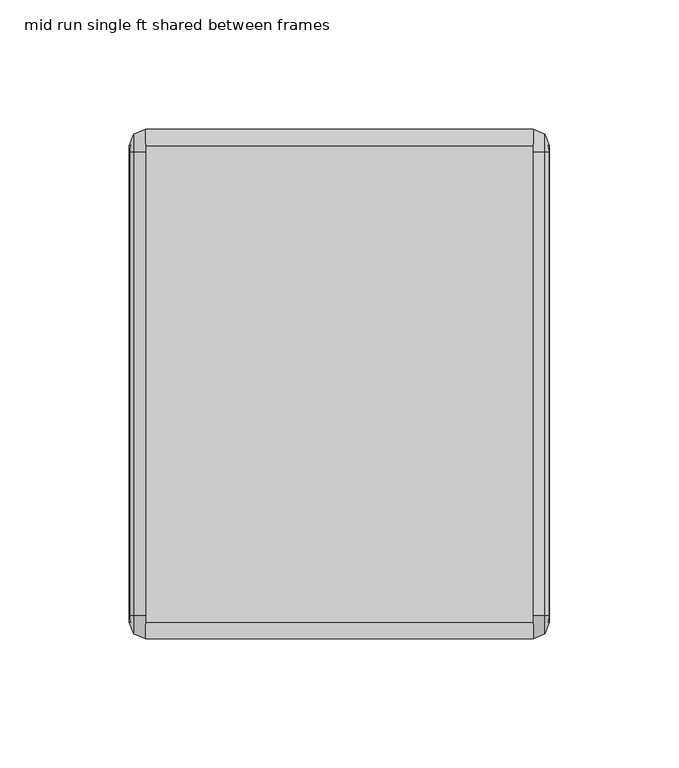
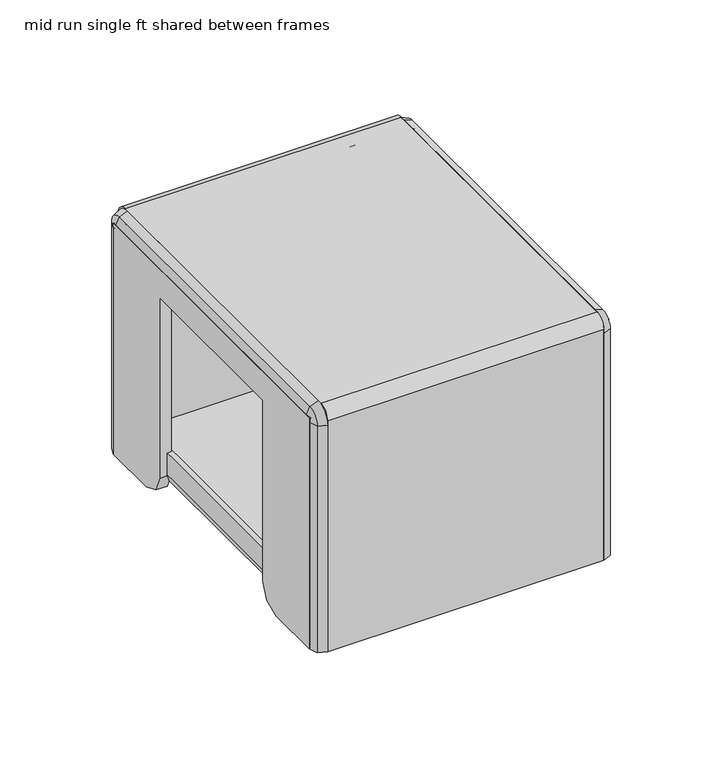
"""IFC4 building model written with IfcOpenShell, lengths in millimetres: furniture geometry, mid run single ft shared between frames."""

from ifc_helpers import new_model, si_unit, point, frame, frame_2d, origin, place, context, project, spatial, polyline, circle_curve, trimmed, segment, composite_curve, outline, extrude, source, transform, mapped, element, save
from ifc_brep_helpers import plane_surface, cylinder_surface, revolved_surface, advanced_brep


def mid_run_single_ft_shared_between_frames_a13236a0(model_context):
    return source(origin(), model_context, "Body", "SolidModel", [
        advanced_brep(
        [(4.4111169, -165.9911811, 60.1980016), (-3.5898846, -165.9911811, 60.1980016), (-3.5898846, -165.9911811, 7.8739999), (4.4111169, -165.9911811, 7.8739999), (-12.2893899, -165.9911811, 7.8739999), (13.1106222, -165.9911811, 7.8739999), (-12.2893899, -165.9911811, 2.6834552), (13.1106222, -165.9911811, 2.6834552), (0.4106162, -165.9911811, 0.0), (0.4106162, -165.9911811, 60.1980016)],
        [
            (0, 1, circle_curve(frame((0.4106162, -165.9911811, 60.1980016), z_axis=(0.0, 0.0, -1.0), x_axis=(-1.0, 0.0, 0.0)), 4.0005007)),
            (1, 2),
            (2, 3, circle_curve(frame((0.4106162, -165.9911811, 7.8739999), z_axis=(0.0, 0.0, 1.0), x_axis=(-1.0, 0.0, 0.0)), 4.0005007)),
            (3, 0),
            (1, 0, circle_curve(frame((0.4106162, -165.9911811, 60.1980016), z_axis=(0.0, 0.0, -1.0), x_axis=(-1.0, 0.0, 0.0)), 4.0005007)),
            (3, 2, circle_curve(frame((0.4106162, -165.9911811, 7.8739999), z_axis=(0.0, 0.0, 1.0), x_axis=(-1.0, 0.0, 0.0)), 4.0005007)),
            (2, 4),
            (4, 5, circle_curve(frame((0.4106162, -165.9911811, 7.8739999), z_axis=(0.0, 0.0, 1.0), x_axis=(-1.0, 0.0, 0.0)), 12.7000061)),
            (5, 3),
            (5, 4, circle_curve(frame((0.4106162, -165.9911811, 7.8739999), z_axis=(0.0, 0.0, 1.0), x_axis=(-1.0, 0.0, 0.0)), 12.7000061)),
            (4, 6),
            (6, 7, circle_curve(frame((0.4106162, -165.9911811, 2.6834552), z_axis=(0.0, 0.0, 1.0), x_axis=(-1.0, 0.0, 0.0)), 12.7000061)),
            (7, 5),
            (7, 6, circle_curve(frame((0.4106162, -165.9911811, 2.6834552), z_axis=(0.0, 0.0, 1.0), x_axis=(-1.0, 0.0, 0.0)), 12.7000061)),
            (6, 8),
            (8, 7),
            (9, 1),
            (0, 9),
        ],
        [
            cylinder_surface(frame((0.4106162, -165.9911811, 60.1980016), z_axis=(0.0, 0.0, 1.0), x_axis=(-1.0, 0.0, 0.0)), 4.0005007),
            plane_surface(frame((0.4106162, -165.9911811, 7.8739999), z_axis=(0.0, 0.0, 1.0), x_axis=(-1.0, 0.0, 0.0))),
            cylinder_surface(frame((0.4106162, -165.9911811, 60.1980016), z_axis=(0.0, 0.0, 1.0), x_axis=(-1.0, 0.0, 0.0)), 12.7000061),
            revolved_surface(polyline([(0.4106162, -165.9911811, 0.0), (-12.2893899, -165.9911811, 2.6834552)]), (0.4106162, -165.9911811, 60.1980016), (0.0, 0.0, 1.0)),
            plane_surface(frame((0.4106162, -165.9911811, 60.1980016), z_axis=(0.0, 0.0, 1.0), x_axis=(-1.0, 0.0, 0.0))),
        ],
        [
            (0, [[1, 2, 3, 4]]),
            (0, [[5, -4, 6, -2]]),
            (1, [[-3, 7, 8, 9]]),
            (1, [[-6, -9, 10, -7]]),
            (2, [[-8, 11, 12, 13]]),
            (2, [[-10, -13, 14, -11]]),
            (3, [[-12, 15, 16]]),
            (3, [[-14, -16, -15]]),
            (4, [[17, -1, 18]]),
            (4, [[-18, -5, -17]]),
        ],
    ),
        advanced_brep(
        [(4.4111169, -24.8764804, 7.8739999), (-3.5898846, -24.8764804, 7.8739999), (-3.5898846, -24.8764804, 60.1980016), (4.4111169, -24.8764804, 60.1980016), (13.1106222, -24.8764804, 7.8739999), (-12.2893899, -24.8764804, 7.8739999), (13.1106222, -24.8764804, 2.6834552), (-12.2893899, -24.8764804, 2.6834552), (0.4106162, -24.8764804, 0.0), (0.4106162, -24.8764804, 60.1980016)],
        [
            (0, 1, circle_curve(frame((0.4106162, -24.8764804, 7.8739999), z_axis=(0.0, 0.0, 1.0), x_axis=(-1.0, 0.0, 0.0)), 4.0005007)),
            (1, 2),
            (2, 3, circle_curve(frame((0.4106162, -24.8764804, 60.1980016), z_axis=(0.0, 0.0, -1.0), x_axis=(-1.0, 0.0, 0.0)), 4.0005007)),
            (3, 0),
            (1, 0, circle_curve(frame((0.4106162, -24.8764804, 7.8739999), z_axis=(0.0, 0.0, 1.0), x_axis=(-1.0, 0.0, 0.0)), 4.0005007)),
            (3, 2, circle_curve(frame((0.4106162, -24.8764804, 60.1980016), z_axis=(0.0, 0.0, -1.0), x_axis=(-1.0, 0.0, 0.0)), 4.0005007)),
            (4, 5, circle_curve(frame((0.4106162, -24.8764804, 7.8739999), z_axis=(0.0, 0.0, 1.0), x_axis=(-1.0, 0.0, 0.0)), 12.7000061)),
            (5, 1),
            (0, 4),
            (5, 4, circle_curve(frame((0.4106162, -24.8764804, 7.8739999), z_axis=(0.0, 0.0, 1.0), x_axis=(-1.0, 0.0, 0.0)), 12.7000061)),
            (6, 7, circle_curve(frame((0.4106162, -24.8764804, 2.6834552), z_axis=(0.0, 0.0, 1.0), x_axis=(-1.0, 0.0, 0.0)), 12.7000061)),
            (7, 5),
            (4, 6),
            (7, 6, circle_curve(frame((0.4106162, -24.8764804, 2.6834552), z_axis=(0.0, 0.0, 1.0), x_axis=(-1.0, 0.0, 0.0)), 12.7000061)),
            (8, 7),
            (6, 8),
            (2, 9),
            (9, 3),
        ],
        [
            cylinder_surface(frame((0.4106162, -24.8764804, 60.1980016), z_axis=(0.0, 0.0, -1.0), x_axis=(-1.0, 0.0, 0.0)), 4.0005007),
            plane_surface(frame((0.4106162, -24.8764804, 7.8739999), z_axis=(0.0, 0.0, 1.0), x_axis=(-1.0, 0.0, 0.0))),
            cylinder_surface(frame((0.4106162, -24.8764804, 60.1980016), z_axis=(0.0, 0.0, -1.0), x_axis=(-1.0, 0.0, 0.0)), 12.7000061),
            revolved_surface(polyline([(-12.2893899, -24.8764804, 2.6834552), (0.4106162, -24.8764804, 0.0)]), (0.4106162, -24.8764804, 60.1980016), (0.0, 0.0, -1.0)),
            plane_surface(frame((0.4106162, -24.8764804, 60.1980016), z_axis=(0.0, 0.0, 1.0), x_axis=(-1.0, 0.0, 0.0))),
        ],
        [
            (0, [[1, 2, 3, 4]]),
            (0, [[5, -4, 6, -2]]),
            (1, [[7, 8, -1, 9]]),
            (1, [[10, -9, -5, -8]]),
            (2, [[11, 12, -7, 13]]),
            (2, [[14, -13, -10, -12]]),
            (3, [[15, -11, 16]]),
            (3, [[-16, -14, -15]]),
            (4, [[-3, 17, 18]]),
            (4, [[-6, -18, -17]]),
        ],
    ),
        extrude(outline(polyline([(9.8583747, -67.6125018), (12.8983747, -67.6125018), (12.8983747, -70.3975017), (13.8283109, -72.6425659), (16.073375, -73.572501), (28.9083758, -73.572501), (28.9083758, -76.6125021), (16.073375, -76.6125021), (11.6787067, -74.792169), (9.8583747, -70.3975017), (9.8583747, -67.6125018)])), frame((0.0, -193.8720021, 0.0), z_axis=(0.0, 1.0, 0.0), x_axis=(0.0, 0.0, 1.0)), (0.0, 0.0, 1.0), 184.4740023),
        extrude(outline(polyline([(9.8583747, 66.3827727), (9.8583747, 69.1677726), (11.6787067, 73.5624399), (16.073375, 75.382773), (28.9083758, 75.382773), (28.9083758, 72.3427719), (16.073375, 72.3427719), (13.8283109, 71.4128368), (12.8983747, 69.1677726), (12.8983747, 66.3827727), (9.8583747, 66.3827727)])), frame((0.0, -193.8720021, 0.0), z_axis=(0.0, 1.0, 0.0), x_axis=(0.0, 0.0, 1.0)), (0.0, 0.0, 1.0), 184.4740023),
        extrude(outline(polyline([(66.3827727, -193.8720021), (-67.2156268, -193.8720021), (-67.2156268, -9.3979997), (66.3827727, -9.3979997), (66.3827727, -193.8720021)])), frame((0.0, 0.0, 9.8583747), z_axis=(0.0, 0.0, 1.0), x_axis=(1.0, 0.0, 0.0)), (0.0, 0.0, 1.0), 3.04),
        extrude(outline(polyline([(-9.3979997, 3.4703749), (-40.4750017, 3.4703749), (-49.4552539, 7.1901191), (-53.1749987, 16.1703747), (-53.1749987, 119.8104104), (-150.0949958, 119.8104104), (-150.0949958, 16.1703747), (-153.8147451, 7.1901191), (-162.7949927, 3.4703749), (-193.8720021, 3.4703749), (-193.8720021, 136.0169734), (-9.3979997, 136.0169734), (-9.3979997, 3.4703749)])), frame((75.3999, 0.0, 0.0), z_axis=(1.0, 0.0, 0.0), x_axis=(0.0, 1.0, 0.0)), (0.0, 0.0, 1.0), 6.35),
        extrude(outline(polyline([(-9.3979997, 3.4703749), (-40.4750017, 3.4703749), (-49.4552539, 7.1901191), (-53.1749987, 16.1703747), (-53.1749987, 119.8104104), (-150.0949958, 119.8104104), (-150.0949958, 16.1703747), (-153.8147451, 7.1901191), (-162.7949927, 3.4703749), (-193.8720021, 3.4703749), (-193.8720021, 136.0169734), (-9.3979997, 136.0169734), (-9.3979997, 3.4703749)])), frame((-80.9625, 0.0, 0.0), z_axis=(1.0, 0.0, 0.0), x_axis=(0.0, 1.0, 0.0)), (0.0, 0.0, 1.0), 6.35),
        advanced_brep(
        [(-80.9625, -193.8720021, 3.4703749), (-80.9625, -192.3720028, 3.4703749), (-74.6125, -192.3720028, 3.4703749), (-74.6125, -200.1476108, 3.4703749), (-79.1398278, -198.2723331, 3.4703749), (-74.6125, -192.3720028, 133.4769734), (-74.6125, -191.3320021, 134.5169741), (-74.6125, -11.9379997, 134.5169741), (-74.6125, -10.897999, 133.4769734), (-74.6125, -10.897999, 3.4703749), (-74.6125, -3.122391, 3.4703749), (-74.6125, -3.122391, 133.4769734), (-74.6125, -11.9379997, 142.2925821), (-74.6125, -191.3320021, 142.2925821), (-74.6125, -200.1476108, 133.4769734), (-80.9625, -192.3720028, 133.4769734), (-80.9625, -193.8720021, 133.4769734), (-80.9625, -191.3320021, 136.0169734), (-80.9625, -11.9379997, 136.0169734), (-80.9625, -9.3979997, 133.4769734), (-80.9625, -9.3979997, 3.4703749), (-80.9625, -10.897999, 3.4703749), (-80.9625, -10.897999, 133.4769734), (-80.9625, -11.9379997, 134.5169741), (-80.9625, -191.3320021, 134.5169741), (-79.1398278, -4.9976688, 3.4703749), (-79.1398278, -198.2723331, 133.4769734), (-79.1398278, -191.3320021, 140.4173043), (-79.1398278, -11.9379997, 140.4173043), (-79.1398278, -4.9976688, 133.4769734)],
        [
            (0, 1),
            (1, 2),
            (2, 3),
            (3, 4),
            (4, 0),
            (2, 5),
            (5, 6, circle_curve(frame((-74.6125, -191.3320021, 133.4769734), z_axis=(-1.0, 0.0, 0.0), x_axis=(0.0, -1.0, 0.0)), 1.0400007)),
            (6, 7),
            (7, 8, circle_curve(frame((-74.6125, -11.9379997, 133.4769734), z_axis=(-1.0, 0.0, 0.0), x_axis=(0.0, 0.0, 1.0)), 1.0400007)),
            (8, 9),
            (9, 10),
            (10, 11),
            (11, 12, circle_curve(frame((-74.6125, -11.9379997, 133.4769734), z_axis=(1.0, 0.0, 0.0), x_axis=(0.0, 0.0, 1.0)), 8.8156088)),
            (12, 13),
            (13, 14, circle_curve(frame((-74.6125, -191.3320021, 133.4769734), z_axis=(1.0, 0.0, 0.0), x_axis=(0.0, -1.0, 0.0)), 8.8156088)),
            (14, 3),
            (1, 15),
            (15, 5),
            (0, 16),
            (16, 17, circle_curve(frame((-80.9625, -191.3320021, 133.4769734), z_axis=(-1.0, 0.0, 0.0), x_axis=(0.0, -1.0, 0.0)), 2.54)),
            (17, 18),
            (18, 19, circle_curve(frame((-80.9625, -11.9379997, 133.4769734), z_axis=(-1.0, 0.0, 0.0), x_axis=(0.0, 0.0, 1.0)), 2.54)),
            (19, 20),
            (20, 21),
            (21, 22),
            (22, 23, circle_curve(frame((-80.9625, -11.9379997, 133.4769734), z_axis=(1.0, 0.0, 0.0), x_axis=(0.0, 0.0, 1.0)), 1.0400007)),
            (23, 24),
            (24, 15, circle_curve(frame((-80.9625, -191.3320021, 133.4769734), z_axis=(1.0, 0.0, 0.0), x_axis=(0.0, -1.0, 0.0)), 1.0400007)),
            (24, 6),
            (23, 7),
            (22, 8),
            (20, 25),
            (25, 10),
            (9, 21),
            (4, 26),
            (26, 16),
            (14, 26),
            (26, 27, circle_curve(frame((-79.1398278, -191.3320021, 133.4769734), z_axis=(-1.0, 0.0, 0.0), x_axis=(0.0, -1.0, 0.0)), 6.940331)),
            (27, 17),
            (13, 27),
            (27, 28),
            (28, 18),
            (12, 28),
            (28, 29, circle_curve(frame((-79.1398278, -11.9379997, 133.4769734), z_axis=(-1.0, 0.0, 0.0), x_axis=(0.0, 0.0, 1.0)), 6.940331)),
            (29, 19),
            (11, 29),
            (29, 25),
        ],
        [
            plane_surface(frame((-74.6125015, -193.8720021, 3.4703749), z_axis=(0.0, 0.0, -1.0), x_axis=(-1.0, 0.0, 0.0))),
            plane_surface(frame((-74.6125, -192.3720028, 3.4703749), z_axis=(1.0, 0.0, 0.0), x_axis=(0.0, 0.0, 1.0))),
            plane_surface(frame((-80.9625, -192.3720028, 3.4703749), z_axis=(0.0, 1.0, 0.0), x_axis=(0.0, 0.0, 1.0))),
            plane_surface(frame((-80.9625, -193.8720021, 3.4703749), z_axis=(-1.0, 0.0, 0.0), x_axis=(0.0, 0.0, 1.0))),
            revolved_surface(polyline([(-80.9625, -192.37200280000002, 133.4769734), (-74.6125, -192.37200280000002, 133.4769734)]), (-74.6125015, -191.3320021, 133.4769734), (-1.0, 0.0, 0.0)),
            plane_surface(frame((-80.9625, -191.3320021, 134.5169741), z_axis=(0.0, 0.0, -1.0), x_axis=(0.0, 1.0, 0.0))),
            revolved_surface(polyline([(-80.9625, -11.9379997, 134.5169741), (-74.6125, -11.9379997, 134.5169741)]), (-74.6125015, -11.9379997, 133.4769734), (-1.0, 0.0, 0.0)),
            plane_surface(frame((-74.6125015, -9.3979997, 3.4703749), z_axis=(0.0, 0.0, -1.0), x_axis=(-1.0, 0.0, 0.0))),
            plane_surface(frame((-80.9625, -10.897999, 133.4769734), z_axis=(0.0, -1.0, 0.0), x_axis=(0.0, 0.0, -1.0))),
            plane_surface(frame((-79.1398278, -198.2723331, 3.4703749), z_axis=(-0.9238798733387227, -0.3826826095338352, 0.0), x_axis=(0.0, 0.0, 1.0))),
            plane_surface(frame((-74.6125, -200.1476108, 3.4703749), z_axis=(-0.3826829466812399, -0.9238797336879748, 0.0), x_axis=(0.0, 0.0, 1.0))),
            revolved_surface(polyline([(-79.1398278, -198.2723331, 133.4769734), (-80.9625, -193.8720021, 133.4769734)]), (-74.6125015, -191.3320021, 133.4769734), (-1.0, 0.0, 0.0)),
            revolved_surface(polyline([(-74.6125, -200.1476108, 133.4769734), (-79.1398278, -198.2723331, 133.4769734)]), (-74.6125015, -191.3320021, 133.4769734), (-1.0, 0.0, 0.0)),
            plane_surface(frame((-79.1398278, -191.3320021, 140.4173043), z_axis=(-0.9238798733387267, 0.0, 0.38268260953382577), x_axis=(0.0, 1.0, 0.0))),
            plane_surface(frame((-74.6125, -191.3320021, 142.2925821), z_axis=(-0.3826829466812494, 0.0, 0.9238797336879709), x_axis=(0.0, 1.0, 0.0))),
            revolved_surface(polyline([(-79.1398278, -11.9379997, 140.4173043), (-80.9625, -11.9379997, 136.0169734)]), (-74.6125015, -11.9379997, 133.4769734), (-1.0, 0.0, 0.0)),
            revolved_surface(polyline([(-74.6125, -11.9379997, 142.2925821), (-79.1398278, -11.9379997, 140.4173043)]), (-74.6125015, -11.9379997, 133.4769734), (-1.0, 0.0, 0.0)),
            plane_surface(frame((-79.1398278, -4.9976688, 133.4769734), z_axis=(-0.9238798733387228, 0.38268260953383526, 0.0), x_axis=(0.0, 0.0, -1.0))),
            plane_surface(frame((-74.6125, -3.122391, 133.4769734), z_axis=(-0.3826829466812399, 0.9238797336879748, 0.0), x_axis=(0.0, 0.0, -1.0))),
        ],
        [
            (0, [[1, 2, 3, 4, 5]]),
            (1, [[-3, 6, 7, 8, 9, 10, 11, 12, 13, 14, 15, 16]]),
            (2, [[-2, 17, 18, -6]]),
            (3, [[-1, 19, 20, 21, 22, 23, 24, 25, 26, 27, 28, -17]]),
            (4, [[-7, -18, -28, 29]]),
            (5, [[-29, -27, 30, -8]]),
            (6, [[-9, -30, -26, 31]]),
            (7, [[32, 33, -11, 34, -24]]),
            (8, [[-31, -25, -34, -10]]),
            (9, [[-5, 35, 36, -19]]),
            (10, [[-4, -16, 37, -35]]),
            (11, [[-20, -36, 38, 39]]),
            (12, [[-38, -37, -15, 40]]),
            (13, [[-39, 41, 42, -21]]),
            (14, [[-40, -14, 43, -41]]),
            (15, [[-22, -42, 44, 45]]),
            (16, [[-44, -43, -13, 46]]),
            (17, [[-45, 47, -32, -23]]),
            (18, [[-46, -12, -33, -47]]),
        ],
    ),
        advanced_brep(
        [(81.7498985, -193.8720021, 3.4703749), (79.9272263, -198.2723331, 3.4703749), (75.3998985, -200.1476108, 3.4703749), (75.3998985, -192.3720028, 3.4703749), (81.7498985, -192.3720028, 3.4703749), (75.3998985, -200.1476108, 133.4769734), (75.3998985, -191.3320021, 142.2925821), (75.3998985, -11.9379997, 142.2925821), (75.3998985, -3.122391, 133.4769734), (75.3998985, -3.122391, 3.4703749), (75.3998985, -10.897999, 3.4703749), (75.3998985, -10.897999, 133.4769734), (75.3998985, -11.9379997, 134.5169741), (75.3998985, -191.3320021, 134.5169741), (75.3998985, -192.3720028, 133.4769734), (81.7498985, -192.3720028, 133.4769734), (81.7498985, -191.3320021, 134.5169741), (81.7498985, -11.9379997, 134.5169741), (81.7498985, -10.897999, 133.4769734), (81.7498985, -10.897999, 3.4703749), (81.7498985, -9.3979997, 3.4703749), (81.7498985, -9.3979997, 133.4769734), (81.7498985, -11.9379997, 136.0169734), (81.7498985, -191.3320021, 136.0169734), (81.7498985, -193.8720021, 133.4769734), (79.9272263, -4.9976688, 3.4703749), (79.9272263, -198.2723331, 133.4769734), (79.9272263, -191.3320021, 140.4173043), (79.9272263, -11.9379997, 140.4173043), (79.9272263, -4.9976688, 133.4769734)],
        [
            (0, 1),
            (1, 2),
            (2, 3),
            (3, 4),
            (4, 0),
            (2, 5),
            (5, 6, circle_curve(frame((75.3998985, -191.3320021, 133.4769734), z_axis=(-1.0, 0.0, 0.0), x_axis=(0.0, -1.0, 0.0)), 8.8156088)),
            (6, 7),
            (7, 8, circle_curve(frame((75.3998985, -11.9379997, 133.4769734), z_axis=(-1.0, 0.0, 0.0), x_axis=(0.0, 0.0, 1.0)), 8.8156088)),
            (8, 9),
            (9, 10),
            (10, 11),
            (11, 12, circle_curve(frame((75.3998985, -11.9379997, 133.4769734), z_axis=(1.0, 0.0, 0.0), x_axis=(0.0, 0.0, 1.0)), 1.0400007)),
            (12, 13),
            (13, 14, circle_curve(frame((75.3998985, -191.3320021, 133.4769734), z_axis=(1.0, 0.0, 0.0), x_axis=(0.0, -1.0, 0.0)), 1.0400007)),
            (14, 3),
            (14, 15),
            (15, 4),
            (15, 16, circle_curve(frame((81.7498985, -191.3320021, 133.4769734), z_axis=(-1.0, 0.0, 0.0), x_axis=(0.0, -1.0, 0.0)), 1.0400007)),
            (16, 17),
            (17, 18, circle_curve(frame((81.7498985, -11.9379997, 133.4769734), z_axis=(-1.0, 0.0, 0.0), x_axis=(0.0, 0.0, 1.0)), 1.0400007)),
            (18, 19),
            (19, 20),
            (20, 21),
            (21, 22, circle_curve(frame((81.7498985, -11.9379997, 133.4769734), z_axis=(1.0, 0.0, 0.0), x_axis=(0.0, 0.0, 1.0)), 2.54)),
            (22, 23),
            (23, 24, circle_curve(frame((81.7498985, -191.3320021, 133.4769734), z_axis=(1.0, 0.0, 0.0), x_axis=(0.0, -1.0, 0.0)), 2.54)),
            (24, 0),
            (13, 16),
            (12, 17),
            (11, 18),
            (19, 10),
            (9, 25),
            (25, 20),
            (24, 26),
            (26, 1),
            (26, 5),
            (27, 26, circle_curve(frame((79.9272263, -191.3320021, 133.4769734), z_axis=(1.0, 0.0, 0.0), x_axis=(0.0, -1.0, 0.0)), 6.940331)),
            (23, 27),
            (27, 6),
            (22, 28),
            (28, 27),
            (28, 7),
            (29, 28, circle_curve(frame((79.9272263, -11.9379997, 133.4769734), z_axis=(1.0, 0.0, 0.0), x_axis=(0.0, 0.0, 1.0)), 6.940331)),
            (21, 29),
            (29, 8),
            (25, 29),
        ],
        [
            plane_surface(frame((75.3999, -193.8720021, 3.4703749), z_axis=(0.0, 0.0, -1.0), x_axis=(1.0, 0.0, 0.0))),
            plane_surface(frame((75.3998985, -200.1476108, 3.4703749), z_axis=(-1.0, 0.0, 0.0), x_axis=(0.0, 0.0, 1.0))),
            plane_surface(frame((75.3998985, -192.3720028, 3.4703749), z_axis=(0.0, 1.0, 0.0), x_axis=(0.0, 0.0, 1.0))),
            plane_surface(frame((81.7498985, -192.3720028, 3.4703749), z_axis=(1.0, 0.0, 0.0), x_axis=(0.0, 0.0, 1.0))),
            revolved_surface(polyline([(75.3998985, -192.37200280000002, 133.4769734), (81.7498985, -192.37200280000002, 133.4769734)]), (75.3999, -191.3320021, 133.4769734), (-1.0, 0.0, 0.0)),
            plane_surface(frame((75.3998985, -191.3320021, 134.5169741), z_axis=(0.0, 0.0, -1.0), x_axis=(0.0, 1.0, 0.0))),
            revolved_surface(polyline([(75.3998985, -11.9379997, 134.5169741), (81.7498985, -11.9379997, 134.5169741)]), (75.3999, -11.9379997, 133.4769734), (-1.0, 0.0, 0.0)),
            plane_surface(frame((75.3999, -9.3979997, 3.4703749), z_axis=(0.0, 0.0, -1.0), x_axis=(1.0, 0.0, 0.0))),
            plane_surface(frame((75.3998985, -10.897999, 133.4769734), z_axis=(0.0, -1.0, 0.0), x_axis=(0.0, 0.0, -1.0))),
            plane_surface(frame((81.7498985, -193.8720021, 3.4703749), z_axis=(0.9238798733387221, -0.38268260953383665, 0.0), x_axis=(0.0, 0.0, 1.0))),
            plane_surface(frame((79.9272263, -198.2723331, 3.4703749), z_axis=(0.38268294668124286, -0.9238797336879737, 0.0), x_axis=(0.0, 0.0, 1.0))),
            revolved_surface(polyline([(81.7498985, -193.8720021, 133.4769734), (79.9272263, -198.2723331, 133.4769734)]), (75.3999, -191.3320021, 133.4769734), (-1.0, 0.0, 0.0)),
            revolved_surface(polyline([(79.9272263, -198.2723331, 133.4769734), (75.3998985, -200.1476108, 133.4769734)]), (75.3999, -191.3320021, 133.4769734), (-1.0, 0.0, 0.0)),
            plane_surface(frame((81.7498985, -191.3320021, 136.0169734), z_axis=(0.923879873338726, 0.0, 0.38268260953382716), x_axis=(0.0, 1.0, 0.0))),
            plane_surface(frame((79.9272263, -191.3320021, 140.4173043), z_axis=(0.3826829466812523, 0.0, 0.9238797336879697), x_axis=(0.0, 1.0, 0.0))),
            revolved_surface(polyline([(81.7498985, -11.9379997, 136.0169734), (79.9272263, -11.9379997, 140.4173043)]), (75.3999, -11.9379997, 133.4769734), (-1.0, 0.0, 0.0)),
            revolved_surface(polyline([(79.9272263, -11.9379997, 140.4173043), (75.3998985, -11.9379997, 142.2925821)]), (75.3999, -11.9379997, 133.4769734), (-1.0, 0.0, 0.0)),
            plane_surface(frame((81.7498985, -9.3979997, 133.4769734), z_axis=(0.9238798733387221, 0.38268260953383665, 0.0), x_axis=(0.0, 0.0, -1.0))),
            plane_surface(frame((79.9272263, -4.9976688, 133.4769734), z_axis=(0.38268294668124286, 0.9238797336879737, 0.0), x_axis=(0.0, 0.0, -1.0))),
        ],
        [
            (0, [[1, 2, 3, 4, 5]]),
            (1, [[-3, 6, 7, 8, 9, 10, 11, 12, 13, 14, 15, 16]]),
            (2, [[-4, -16, 17, 18]]),
            (3, [[-5, -18, 19, 20, 21, 22, 23, 24, 25, 26, 27, 28]]),
            (4, [[-19, -17, -15, 29]]),
            (5, [[-29, -14, 30, -20]]),
            (6, [[-21, -30, -13, 31]]),
            (7, [[-23, 32, -11, 33, 34]]),
            (8, [[-31, -12, -32, -22]]),
            (9, [[-1, -28, 35, 36]]),
            (10, [[-2, -36, 37, -6]]),
            (11, [[38, -35, -27, 39]]),
            (12, [[-7, -37, -38, 40]]),
            (13, [[-39, -26, 41, 42]]),
            (14, [[-40, -42, 43, -8]]),
            (15, [[44, -41, -25, 45]]),
            (16, [[-9, -43, -44, 46]]),
            (17, [[-45, -24, -34, 47]]),
            (18, [[-46, -47, -33, -10]]),
        ],
    ),
        extrude(outline(composite_curve([segment(polyline([(-3.175, 3.4703749), (-9.3979997, 3.4703749), (-9.3979997, 133.4769734)]), True, "CONTINUOUS"), segment(trimmed(circle_curve(frame_2d((-11.9379997, 133.4769734)), 2.54), [point((-9.3979997, 133.4769734))], [point((-11.9379997, 136.0169734))], True, "CARTESIAN"), True, "CONTINUOUS"), segment(polyline([(-11.9379997, 136.0169734), (-191.3320021, 136.0169734)]), True, "CONTINUOUS"), segment(trimmed(circle_curve(frame_2d((-191.3320021, 133.4769734)), 2.54), [point((-191.3320021, 136.0169734))], [point((-193.8720021, 133.4769734))], True, "CARTESIAN"), True, "CONTINUOUS"), segment(polyline([(-193.8720021, 133.4769734), (-193.8720021, 3.4703749), (-200.0950052, 3.4703749), (-200.0950052, 135.8899734)]), True, "CONTINUOUS"), segment(trimmed(circle_curve(frame_2d((-193.7450052, 135.8899734)), 6.35), [point((-200.0950052, 135.8899734))], [point((-193.7450052, 142.2399734))], False, "CARTESIAN"), True, "CONTINUOUS"), segment(polyline([(-193.7450052, 142.2399734), (-9.525, 142.2399734)]), True, "CONTINUOUS"), segment(trimmed(circle_curve(frame_2d((-9.525, 135.8899734)), 6.35), [point((-9.525, 142.2399734))], [point((-3.175, 135.8899734))], False, "CARTESIAN"), True, "CONTINUOUS"), segment(polyline([(-3.175, 135.8899734), (-3.175, 3.4703749)]), True, "CONTINUOUS")], self_intersect=False)), frame((-74.6125015, 0.0, 0.0), z_axis=(1.0, 0.0, 0.0), x_axis=(0.0, 1.0, 0.0)), (0.0, 0.0, 1.0), 150.0124015),
    ])


if __name__ == "__main__":
    model = new_model("IFC4")
    model_context = context("Model", 3, world=origin())
    ifc_project = project(units=[si_unit("LENGTHUNIT", "METRE", prefix="MILLI")], contexts=[model_context])
    site = spatial("IfcSite", under=ifc_project)
    building = spatial("IfcBuilding", under=site)
    placement = place(None, origin())
    mid_run_single_ft_shared_between_frames_shape = mid_run_single_ft_shared_between_frames_a13236a0(model_context)
    element("IfcFurniture", 1, ObjectType="mid run single ft shared between frames", at=placement, inside=building, context=model_context, shape_type="MappedRepresentation", body=[
        mapped(mid_run_single_ft_shared_between_frames_shape, transform((0.0, 0.0, 0.0), x_axis=(1.0, 0.0, 0.0), y_axis=(0.0, 1.0, 0.0), z_axis=(0.0, 0.0, 1.0))),
    ])
    save(model, "model.ifc")
